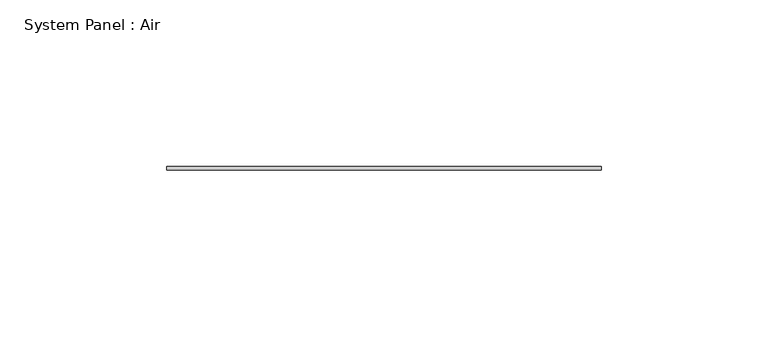
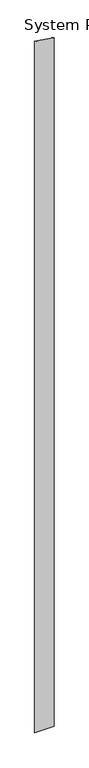
"""IFC4 building model written with IfcOpenShell, lengths in millimetres: plate geometry, System Panel : Air."""

from ifc_helpers import new_model, si_unit, frame, origin, place, context, project, spatial, polyline, outline, extrude, source, transform, mapped, element, save


def system_panel_air_2e052325(model_context):
    return source(origin(), model_context, "Body", "SweptSolid", [
        extrude(outline(polyline([(0.0, -65.0), (0.0, 65.0), (4918.6038041, 65.0), (4937.8395147, -65.0), (0.0, -65.0)])), frame((0.0, 36.5, 0.0), z_axis=(0.0, 1.0, 0.0), x_axis=(0.0, 0.0, 1.0)), (0.0, 0.0, 1.0), 1.0),
    ])


if __name__ == "__main__":
    model = new_model("IFC4")
    model_context = context("Model", 3, world=origin())
    ifc_project = project(units=[si_unit("LENGTHUNIT", "METRE", prefix="MILLI")], contexts=[model_context])
    site = spatial("IfcSite", under=ifc_project)
    building = spatial("IfcBuilding", under=site)
    placement = place(None, origin())
    system_panel_air_shape = system_panel_air_2e052325(model_context)
    element("IfcPlate", 1, ObjectType="System Panel : Air", at=placement, inside=building, context=model_context, shape_type="MappedRepresentation", body=[
        mapped(system_panel_air_shape, transform((0.0, 0.0, 0.0), x_axis=(1.0, 0.0, 0.0), y_axis=(0.0, 1.0, 0.0), z_axis=(0.0, 0.0, 1.0))),
    ])
    save(model, "model.ifc")
